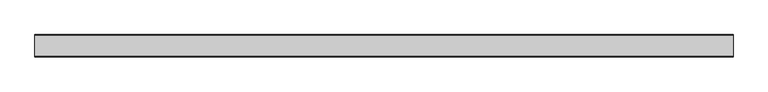
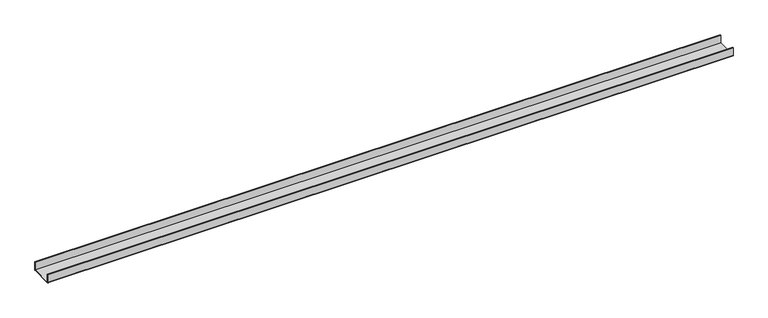
"""IFC4 building model written with IfcOpenShell, lengths in millimetres: proxy geometry."""

from ifc_helpers import new_model, si_unit, point, frame, frame_2d, origin, place, context, project, spatial, polyline, circle_curve, trimmed, segment, composite_curve, outline, extrude, source, transform, mapped, element, save


def generic_models_1d05ff42(model_context):
    return source(origin(), model_context, "Body", "SweptSolid", [
        extrude(outline(composite_curve([segment(polyline([(-50.5, 2.0), (-50.5, 40.0), (-48.5, 40.0), (-48.5, 2.0), (48.5, 2.0), (48.5, 40.0), (50.5, 40.0), (50.5, 2.0)]), True, "CONTINUOUS"), segment(trimmed(circle_curve(frame_2d((48.5, 2.0)), 2.0), [point((50.5, 2.0))], [point((48.5, 0.0))], False, "CARTESIAN"), True, "CONTINUOUS"), segment(polyline([(48.5, 0.0), (-48.5, 0.0)]), True, "CONTINUOUS"), segment(trimmed(circle_curve(frame_2d((-48.5, 2.0)), 2.0), [point((-48.5, 0.0))], [point((-50.5, 2.0))], False, "CARTESIAN"), True, "CONTINUOUS")], self_intersect=False)), frame((0.0, 0.0, 0.0), z_axis=(1.0, 0.0, 0.0), x_axis=(0.0, 1.0, 0.0)), (0.0, 0.0, 1.0), 3145.9849859),
    ])


if __name__ == "__main__":
    model = new_model("IFC4")
    model_context = context("Model", 3, world=origin())
    ifc_project = project(units=[si_unit("LENGTHUNIT", "METRE", prefix="MILLI")], contexts=[model_context])
    site = spatial("IfcSite", under=ifc_project)
    building = spatial("IfcBuilding", under=site)
    placement = place(None, origin())
    generic_models_shape = generic_models_1d05ff42(model_context)
    element("IfcBuildingElementProxy", 1, Name="Generic Models", at=placement, inside=building, context=model_context, shape_type="MappedRepresentation", body=[
        mapped(generic_models_shape, transform((0.0, 0.0, 0.0), x_axis=(1.0, 0.0, 0.0), y_axis=(0.0, 1.0, 0.0), z_axis=(0.0, 0.0, 1.0))),
    ])
    save(model, "model.ifc")
